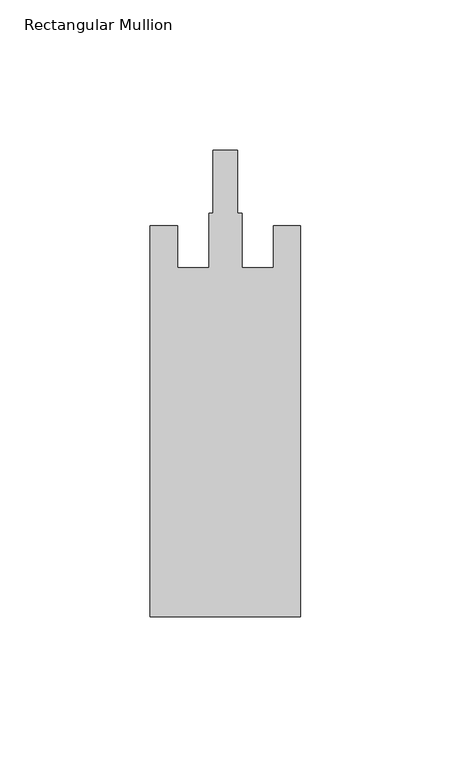
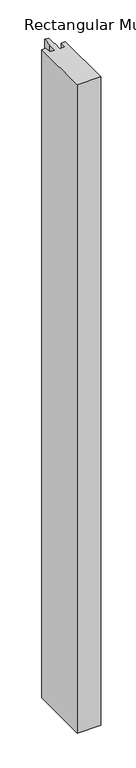
"""IFC4 building model written with IfcOpenShell, lengths in millimetres: member geometry, Rectangular Mullion."""

from ifc_helpers import new_model, si_unit, frame, origin, place, context, project, spatial, polyline, outline, extrude, source, transform, mapped, element, save


def rectangular_mullion_ad5458f7(model_context):
    return source(origin(), model_context, "Body", "SweptSolid", [
        extrude(outline(polyline([(25.0, -162.0), (-25.0, -162.0), (-25.0, -32.0), (-16.0, -32.0), (-16.0, -46.0), (-5.5, -46.0), (-5.5, -27.8), (-4.1, -27.8), (-4.1, -7.0), (4.1, -7.0), (4.1, -27.8), (5.5, -27.8), (5.5, -46.0), (16.0, -46.0), (16.0, -32.0), (25.0, -32.0), (25.0, -162.0)])), frame((0.0, 0.0, -1450.0), z_axis=(0.0, 0.0, 1.0), x_axis=(1.0, 0.0, 0.0)), (0.0, 0.0, 1.0), 1450.0),
    ])


if __name__ == "__main__":
    model = new_model("IFC4")
    model_context = context("Model", 3, world=origin())
    ifc_project = project(units=[si_unit("LENGTHUNIT", "METRE", prefix="MILLI")], contexts=[model_context])
    site = spatial("IfcSite", under=ifc_project)
    building = spatial("IfcBuilding", under=site)
    placement = place(None, origin())
    rectangular_mullion_shape = rectangular_mullion_ad5458f7(model_context)
    element("IfcMember", 1, ObjectType="Rectangular Mullion", at=placement, inside=building, context=model_context, shape_type="MappedRepresentation", body=[
        mapped(rectangular_mullion_shape, transform((0.0, 0.0, 0.0), x_axis=(1.0, 0.0, 0.0), y_axis=(0.0, 1.0, 0.0), z_axis=(0.0, 0.0, 1.0))),
    ])
    save(model, "model.ifc")
